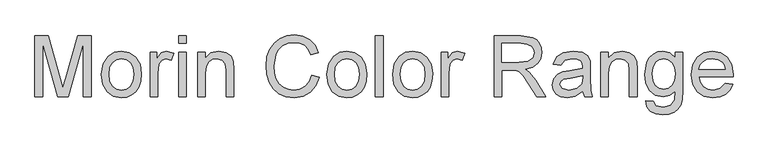
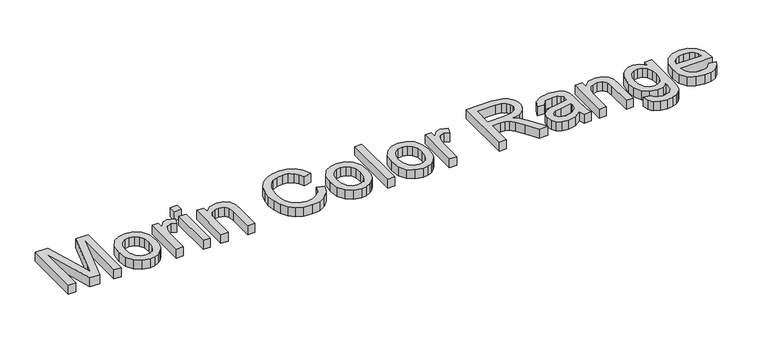
"""IFC4 building model written with IfcOpenShell, lengths in millimetres: proxy geometry."""

from ifc_helpers import new_model, si_unit, origin, origin_with_axes, place, context, project, spatial, polyline, outline, extrude, source, transform, mapped, element, save


def generic_models_dc89034c(model_context):
    return source(origin(), model_context, "Body", "SweptSolid", [
        extrude(outline(polyline([(-858.1951183, 700.0), (-858.1951183, 850.6844652), (-825.7847146, 850.6844652), (-794.9562034, 744.4769332), (-788.7389977, 722.2936489), (-782.0067571, 746.3163432), (-751.6932807, 850.6844652), (-719.282877, 850.6844652), (-719.282877, 700.0), (-738.1184351, 700.0), (-738.1184351, 831.8489071), (-775.9734924, 700.0), (-801.5045029, 700.0), (-839.3595602, 831.8489071), (-839.3595602, 700.0), (-858.1951183, 700.0)])), origin_with_axes(), (0.0, 0.0, 1.0), 25.0),
        extrude(outline(polyline([(-693.3839845, 755.3294521), (-689.3096914, 782.0100938), (-677.0868121, 800.7628785), (-661.9852562, 809.9507313), (-643.9038562, 813.0133489), (-624.1164033, 809.2839452), (-608.3112731, 798.095734), (-597.9507964, 780.3316322), (-594.4973042, 756.8745565), (-596.0240145, 737.8458603), (-600.6041453, 723.3605067), (-608.1043395, 712.5125864), (-618.3912398, 704.3961898), (-630.6095206, 699.3332139), (-643.9038562, 697.6455552), (-663.9304323, 701.3611634), (-679.7171684, 712.5079878), (-689.9672805, 730.6445702), (-693.3839845, 755.3294521)]), holes=[polyline([(-674.5484264, 755.3662403), (-672.3687255, 738.3195083), (-665.8296231, 726.174804), (-655.9887797, 718.904536), (-643.9038562, 716.4811134), (-631.8741149, 718.9183316), (-622.0516656, 726.2299863), (-615.5125632, 738.535639), (-613.3328624, 755.9548515), (-615.5263588, 772.5049427), (-622.1068479, 784.4841002), (-631.9430928, 791.7543681), (-643.9038562, 794.1777908), (-655.9887797, 791.7635652), (-665.8296231, 784.5208884), (-672.3687255, 772.4037752), (-674.5484264, 755.3662403)])]), origin_with_axes(), (0.0, 0.0, 1.0), 25.0),
        extrude(outline(polyline([(-573.3073013, 700.0), (-573.3073013, 810.6589041), (-556.8261879, 810.6589041), (-556.8261879, 794.2881554), (-545.1275405, 809.3713172), (-533.3553166, 813.0133489), (-514.4461821, 807.2008134), (-520.7369642, 790.3150298), (-533.980716, 794.1777908), (-544.6308998, 790.4621826), (-551.4183226, 780.1614867), (-554.4717431, 758.1621434), (-554.4717431, 700.0), (-573.3073013, 700.0)])), origin_with_axes(), (0.0, 0.0, 1.0), 25.0),
        extrude(outline(polyline([(-502.6739582, 700.0), (-502.6739582, 810.6589041), (-483.8384001, 810.6589041), (-483.8384001, 700.0), (-502.6739582, 700.0)])), origin_with_axes(), (0.0, 0.0, 1.0), 25.0),
        extrude(outline(polyline([(-502.6739582, 831.8489071), (-502.6739582, 850.6844652), (-483.8384001, 850.6844652), (-483.8384001, 831.8489071), (-502.6739582, 831.8489071)])), origin_with_axes(), (0.0, 0.0, 1.0), 25.0),
        extrude(outline(polyline([(-455.5850628, 700.0), (-455.5850628, 810.6589041), (-436.7495047, 810.6589041), (-436.7495047, 795.2078604), (-422.3469246, 808.5619768), (-402.6836319, 813.0133489), (-384.8965375, 809.4264995), (-372.7564316, 800.0087204), (-367.109443, 786.1579633), (-366.1161616, 767.9478045), (-366.1161616, 700.0), (-384.9517198, 700.0), (-384.9517198, 765.4094187), (-387.1222235, 782.0744731), (-394.7925631, 790.8852469), (-407.7236153, 794.1777908), (-418.7554766, 792.3291837), (-428.1594601, 786.7833627), (-434.6019935, 776.0687996), (-436.7495047, 758.7139664), (-436.7495047, 700.0), (-455.5850628, 700.0)])), origin_with_axes(), (0.0, 0.0, 1.0), 25.0),
        extrude(outline(polyline([(-173.0516905, 753.5636185), (-154.2161324, 748.7075762), (-162.9073445, 726.7588166), (-176.5465695, 710.7237602), (-194.4624227, 700.9151065), (-215.9835194, 697.6455552), (-237.8311114, 700.1195616), (-255.181346, 707.5415809), (-268.4802801, 719.6540956), (-278.1739707, 736.1995883), (-284.0922723, 755.6513488), (-286.0650394, 776.4826668), (-283.8347549, 798.454419), (-277.1439011, 817.4279329), (-266.341966, 832.8008017), (-251.7784375, 843.9706188), (-234.5063778, 850.7718372), (-215.5788492, 853.03891), (-194.9268737, 850.1050511), (-177.8525506, 841.3034743), (-164.8893088, 827.1768057), (-156.5705771, 808.2676712), (-175.4061353, 803.7795108), (-181.9360407, 817.5153048), (-190.8571791, 826.9376824), (-202.279915, 832.3869345), (-216.3146132, 834.2033518), (-232.4922239, 832.1891979), (-245.781961, 826.1467361), (-255.8665262, 816.710563), (-262.4286213, 804.5152748), (-267.2294813, 776.519455), (-265.8085371, 759.1186366), (-261.5457045, 744.072263), (-254.2800351, 731.9551498), (-243.8505805, 723.3421126), (-231.3471912, 718.1963632), (-217.8597175, 716.4811134), (-202.1373608, 718.8171641), (-189.0361632, 725.8253161), (-179.1447361, 737.431993), (-173.0516905, 753.5636185)])), origin_with_axes(), (0.0, 0.0, 1.0), 25.0),
        extrude(outline(polyline([(-135.3805742, 755.3294521), (-131.3062811, 782.0100938), (-119.0834018, 800.7628785), (-103.9818459, 809.9507313), (-85.9004459, 813.0133489), (-66.1129931, 809.2839452), (-50.3078628, 798.095734), (-39.9473862, 780.3316322), (-36.4938939, 756.8745565), (-38.0206042, 737.8458603), (-42.600735, 723.3605067), (-50.1009292, 712.5125864), (-60.3878295, 704.3961898), (-72.6061103, 699.3332139), (-85.9004459, 697.6455552), (-105.927022, 701.3611634), (-121.7137581, 712.5079878), (-131.9638702, 730.6445702), (-135.3805742, 755.3294521)]), holes=[polyline([(-116.5450161, 755.3662403), (-114.3653153, 738.3195083), (-107.8262128, 726.174804), (-97.9853694, 718.904536), (-85.9004459, 716.4811134), (-73.8707046, 718.9183316), (-64.0482554, 726.2299863), (-57.5091529, 738.535639), (-55.3294521, 755.9548515), (-57.5229485, 772.5049427), (-64.1034377, 784.4841002), (-73.9396825, 791.7543681), (-85.9004459, 794.1777908), (-97.9853694, 791.7635652), (-107.8262128, 784.5208884), (-114.3653153, 772.4037752), (-116.5450161, 755.3662403)])]), origin_with_axes(), (0.0, 0.0, 1.0), 25.0),
        extrude(outline(polyline([(-15.303891, 700.0), (-15.303891, 850.6844652), (3.5316672, 850.6844652), (3.5316672, 700.0), (-15.303891, 700.0)])), origin_with_axes(), (0.0, 0.0, 1.0), 25.0),
        extrude(outline(polyline([(27.0761148, 755.3294521), (31.1504079, 782.0100938), (43.3732872, 800.7628785), (58.4748431, 809.9507313), (76.5562432, 813.0133489), (96.343696, 809.2839452), (112.1488262, 798.095734), (122.5093029, 780.3316322), (125.9627951, 756.8745565), (124.4360849, 737.8458603), (119.855954, 723.3605067), (112.3557599, 712.5125864), (102.0688596, 704.3961898), (89.8505788, 699.3332139), (76.5562432, 697.6455552), (56.5296671, 701.3611634), (40.742931, 712.5079878), (30.4928189, 730.6445702), (27.0761148, 755.3294521)]), holes=[polyline([(45.911673, 755.3662403), (48.0913738, 738.3195083), (54.6304763, 726.174804), (64.4713197, 718.904536), (76.5562432, 716.4811134), (88.5859844, 718.9183316), (98.4084337, 726.2299863), (104.9475362, 738.535639), (107.127237, 755.9548515), (104.9337406, 772.5049427), (98.3532514, 784.4841002), (88.5170066, 791.7543681), (76.5562432, 794.1777908), (64.4713197, 791.7635652), (54.6304763, 784.5208884), (48.0913738, 772.4037752), (45.911673, 755.3662403)])]), origin_with_axes(), (0.0, 0.0, 1.0), 25.0),
        extrude(outline(polyline([(147.1527981, 700.0), (147.1527981, 810.6589041), (163.6339115, 810.6589041), (163.6339115, 794.2881554), (175.3325589, 809.3713172), (187.1047827, 813.0133489), (206.0139173, 807.2008134), (199.7231352, 790.3150298), (186.4793834, 794.1777908), (175.8291996, 790.4621826), (169.0417768, 780.1614867), (165.9883562, 758.1621434), (165.9883562, 700.0), (147.1527981, 700.0)])), origin_with_axes(), (0.0, 0.0, 1.0), 25.0),
        extrude(outline(polyline([(279.0017051, 700.0), (279.0017051, 850.6844652), (343.9328773, 850.6844652), (374.0808068, 846.6193692), (383.3606301, 840.9907747), (390.5619202, 832.2351832), (395.1834377, 821.3780658), (396.7239436, 809.4448936), (394.1717623, 794.6008551), (386.5152182, 782.2952023), (373.5243853, 773.2728964), (354.9693371, 768.2788983), (365.6747032, 760.2222826), (380.941806, 740.8349015), (406.0681463, 700.0), (384.1791676, 700.0), (364.5710572, 731.2331814), (350.4076004, 751.9081495), (340.4563924, 761.6754165), (331.4984659, 765.2622659), (320.5723706, 765.9244535), (297.8372633, 765.9244535), (297.8372633, 700.0), (279.0017051, 700.0)]), holes=[polyline([(297.8372633, 784.7600117), (339.9965399, 784.7600117), (361.4992426, 787.4271562), (373.7129248, 795.9620184), (377.8883854, 808.7459178), (375.8972241, 817.9337706), (369.9237403, 825.3373958), (359.646037, 830.2210292), (344.7422177, 831.8489071), (297.8372633, 831.8489071), (297.8372633, 784.7600117)])]), origin_with_axes(), (0.0, 0.0, 1.0), 25.0),
        extrude(outline(polyline([(497.9650687, 714.1266686), (479.6997276, 701.3611634), (459.5214002, 697.6455552), (443.7806493, 699.8804384), (432.1693738, 706.5850877), (425.0094705, 716.7662219), (422.6228361, 729.4305596), (426.2280796, 744.3297804), (435.701041, 755.1455111), (448.8896105, 761.3259286), (465.1867829, 764.15862), (497.8547041, 770.6333431), (497.9650687, 774.8271978), (496.6682846, 783.2333014), (492.7779325, 788.7331372), (484.0775234, 792.8166274), (471.9558116, 794.1777908), (452.8995243, 790.5541531), (443.812839, 777.6966774), (424.9772808, 780.0511222), (433.125867, 798.4452219), (449.533404, 809.2241644), (474.3838328, 813.0133489), (497.2109106, 809.6656228), (510.1051745, 801.2595192), (515.8809218, 788.4756198), (516.8006268, 771.9945065), (516.8006268, 748.5604234), (517.75712, 715.8373199), (521.5095164, 700.0), (502.6739582, 700.0), (497.9650687, 714.1266686)]), holes=[polyline([(497.9650687, 751.7977849), (467.5780159, 746.0220376), (451.372814, 742.968617), (444.0335682, 738.0022101), (441.4583942, 730.7549348), (447.0685946, 720.5646035), (463.5313139, 716.4811134), (482.5876013, 720.9876678), (494.8748599, 731.895369), (497.8547041, 746.463496), (497.9650687, 751.7977849)])]), origin_with_axes(), (0.0, 0.0, 1.0), 25.0),
        extrude(outline(polyline([(542.6995193, 700.0), (542.6995193, 810.6589041), (561.5350774, 810.6589041), (561.5350774, 795.2078604), (575.9376575, 808.5619768), (595.6009502, 813.0133489), (613.3880447, 809.4264995), (625.5281505, 800.0087204), (631.1751391, 786.1579633), (632.1684205, 767.9478045), (632.1684205, 700.0), (613.3328624, 700.0), (613.3328624, 765.4094187), (611.1623586, 782.0744731), (603.492019, 790.8852469), (590.5609669, 794.1777908), (579.5291055, 792.3291837), (570.125122, 786.7833627), (563.6825886, 776.0687996), (561.5350774, 758.7139664), (561.5350774, 700.0), (542.6995193, 700.0)])), origin_with_axes(), (0.0, 0.0, 1.0), 25.0),
        extrude(outline(polyline([(653.3584234, 690.5822209), (672.1939816, 688.2277762), (678.3008227, 678.2949623), (696.5845579, 674.1011075), (715.8615744, 678.8467853), (725.0586243, 692.1641135), (726.3462113, 714.1266686), (713.0840654, 703.5316672), (696.9156517, 700.0), (677.4960808, 704.1110813), (663.0153258, 716.4443252), (654.0068155, 734.5257252), (651.0039787, 755.8812751), (656.3934499, 785.0727114), (662.9877347, 796.9231102), (671.9916465, 805.7292854), (683.0970842, 811.192333), (695.9959467, 813.0133489), (712.7989568, 808.8930706), (726.3462113, 796.5322355), (726.3462113, 810.6589041), (745.1817694, 810.6589041), (745.1817694, 715.11995), (743.8941824, 693.0608259), (740.0314215, 678.5340856), (733.3773559, 668.9001758), (723.715855, 661.5195433), (711.2584509, 656.8290479), (696.2166759, 655.2655494), (678.6916973, 657.4682428), (664.891524, 664.0763232), (656.0393635, 675.1081845), (653.3584234, 690.5822209)]), holes=[polyline([(669.8395368, 757.1688621), (671.8490922, 739.8922039), (677.8777584, 728.0142139), (686.9414511, 721.1302221), (698.0560858, 718.8355582), (709.0879472, 721.1164265), (718.1976251, 727.9590316), (724.3090647, 739.6852702), (726.3462113, 756.6170391), (724.2492839, 772.9464011), (717.9585018, 784.7048294), (708.7154667, 791.8095504), (697.7617803, 794.1777908), (687.0058304, 791.8463386), (677.988123, 784.8519822), (671.8766834, 773.2682979), (669.8395368, 757.1688621)])]), origin_with_axes(), (0.0, 0.0, 1.0), 25.0),
        extrude(outline(polyline([(850.9110548, 732.9622268), (869.378731, 730.607782), (862.7246654, 716.6926455), (852.1066713, 706.2907821), (837.763872, 699.806862), (819.9353909, 697.6455552), (797.83488, 701.374959), (780.8295348, 712.5631701), (769.986213, 730.4836218), (766.3717724, 754.4097471), (770.0230012, 779.1406142), (780.9766876, 797.6358815), (797.7521065, 809.1689821), (818.8685331, 813.0133489), (839.3273705, 809.1781791), (855.6751267, 797.6726697), (866.3942883, 779.2141906), (869.9673422, 754.5201117), (869.8569776, 749.4433402), (785.2073305, 749.4433402), (788.4676847, 735.3442627), (796.0414553, 724.9791875), (806.972149, 718.6056319), (820.3032728, 716.4811134), (838.770949, 720.4174507), (850.9110548, 732.9622268)]), holes=[polyline([(785.2073305, 768.2788983), (851.131784, 768.2788983), (848.5842012, 778.2301063), (843.5902031, 785.3486229), (832.6089256, 791.9704988), (818.7949567, 794.1777908), (806.0984293, 792.4165557), (795.5999969, 787.1328506), (788.3021378, 778.8968924), (785.2073305, 768.2788983)])]), origin_with_axes(), (0.0, 0.0, 1.0), 25.0),
    ])


if __name__ == "__main__":
    model = new_model("IFC4")
    model_context = context("Model", 3, world=origin())
    ifc_project = project(units=[si_unit("LENGTHUNIT", "METRE", prefix="MILLI")], contexts=[model_context])
    site = spatial("IfcSite", under=ifc_project)
    building = spatial("IfcBuilding", under=site)
    placement = place(None, origin())
    generic_models_shape = generic_models_dc89034c(model_context)
    element("IfcBuildingElementProxy", 1, Name="Generic Models", at=placement, inside=building, context=model_context, shape_type="MappedRepresentation", body=[
        mapped(generic_models_shape, transform((0.0, 0.0, 0.0), x_axis=(1.0, 0.0, 0.0), y_axis=(0.0, 1.0, 0.0), z_axis=(0.0, 0.0, 1.0))),
    ])
    save(model, "model.ifc")
